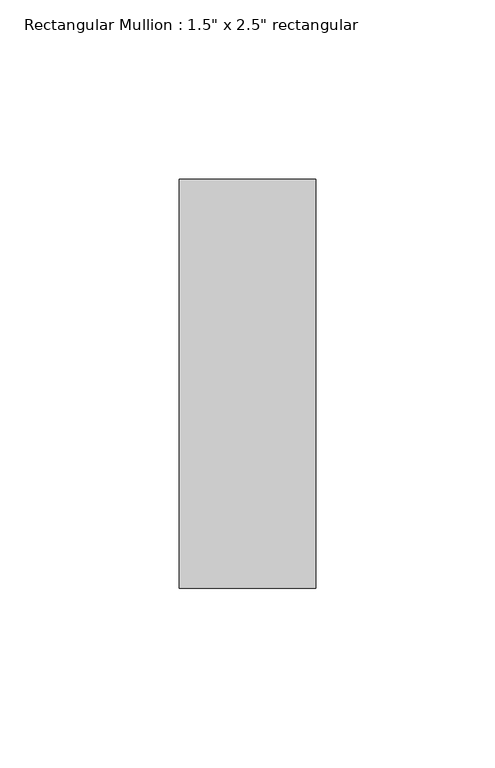
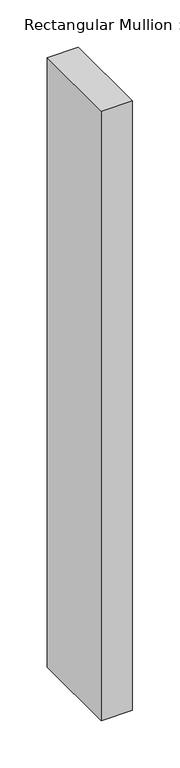
"""IFC4 building model written with IfcOpenShell, lengths in millimetres: member geometry."""

from ifc_helpers import new_model, si_unit, frame, origin, place, context, project, spatial, polyline, outline, extrude, source, transform, mapped, element, save


def member_a8de122e(model_context):
    return source(origin(), model_context, "Body", "SweptSolid", [
        extrude(outline(polyline([(19.05, 57.15), (19.05, -57.15), (-19.05, -57.15), (-19.05, 57.15), (19.05, 57.15)])), frame((0.0, 0.0, -787.4), z_axis=(0.0, 0.0, 1.0), x_axis=(1.0, 0.0, 0.0)), (0.0, 0.0, 1.0), 787.4),
    ])


if __name__ == "__main__":
    model = new_model("IFC4")
    model_context = context("Model", 3, world=origin())
    ifc_project = project(units=[si_unit("LENGTHUNIT", "METRE", prefix="MILLI")], contexts=[model_context])
    site = spatial("IfcSite", under=ifc_project)
    building = spatial("IfcBuilding", under=site)
    placement = place(None, origin())
    member_shape = member_a8de122e(model_context)
    element("IfcMember", 1, ObjectType="Rectangular Mullion : 1.5\" x 2.5\" rectangular", at=placement, inside=building, context=model_context, shape_type="MappedRepresentation", body=[
        mapped(member_shape, transform((0.0, 0.0, 0.0), x_axis=(1.0, 0.0, 0.0), y_axis=(0.0, 1.0, 0.0), z_axis=(0.0, 0.0, 1.0))),
    ])
    save(model, "model.ifc")
